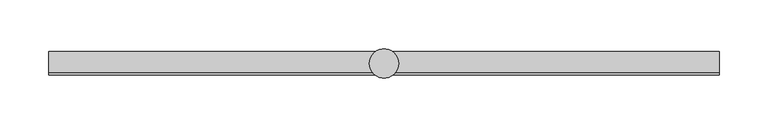
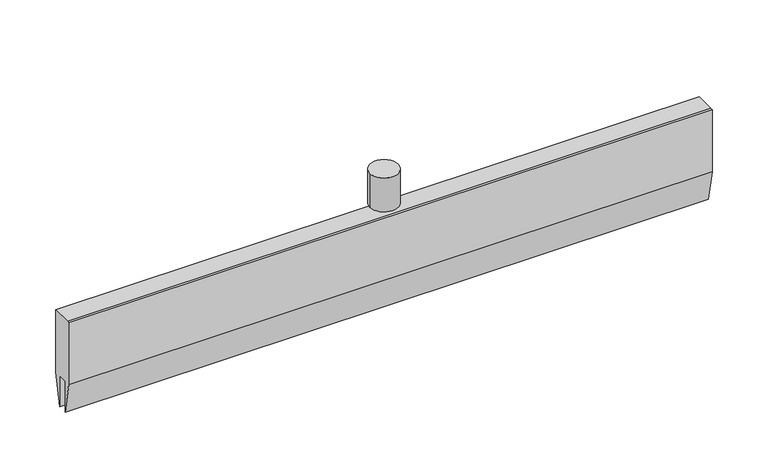
"""IFC4 building model written with IfcOpenShell, lengths in millimetres: proxy geometry."""

from ifc_helpers import new_model, si_unit, point, frame, origin, origin_2d, place, context, project, spatial, polyline, circle_curve, trimmed, segment, composite_curve, outline, extrude, source, transform, mapped, element, save


def specialty_equipment_541ed773(model_context):
    return source(origin(), model_context, "Body", "SweptSolid", [
        extrude(outline(polyline([(12.0, 49.0), (12.0, -21.0), (5.0, -56.0), (5.0, -21.0), (-5.0, -21.0), (-5.0, -56.0), (-12.0, -21.0), (-12.0, 49.0), (-9.692747, 49.0), (12.0, 49.0)])), frame((-342.2222222, 0.0, 0.0), z_axis=(1.0, 0.0, 0.0), x_axis=(0.0, 1.0, 0.0)), (0.0, 0.0, 1.0), 684.4444444),
        extrude(outline(composite_curve([segment(trimmed(circle_curve(origin_2d(), 4.0), [point((-4.0, 0.0))], [point((4.0, 0.0))], False, "CARTESIAN"), True, "CONTINUOUS"), segment(trimmed(circle_curve(origin_2d(), 4.0), [point((4.0, 0.0))], [point((-4.0, 0.0))], False, "CARTESIAN"), True, "CONTINUOUS")], self_intersect=False)), frame((0.0, 0.0, 49.0), z_axis=(0.0, 0.0, 1.0), x_axis=(1.0, 0.0, 0.0)), (0.0, 0.0, 1.0), 30.0),
        extrude(outline(composite_curve([segment(trimmed(circle_curve(origin_2d(), 15.0), [point((-15.0, 0.0))], [point((15.0, 0.0))], False, "CARTESIAN"), True, "CONTINUOUS"), segment(trimmed(circle_curve(origin_2d(), 15.0), [point((15.0, 0.0))], [point((-15.0, 0.0))], False, "CARTESIAN"), True, "CONTINUOUS")], self_intersect=False)), frame((0.0, 0.0, 57.0), z_axis=(0.0, 0.0, 1.0), x_axis=(1.0, 0.0, 0.0)), (0.0, 0.0, 1.0), 38.0),
    ])


if __name__ == "__main__":
    model = new_model("IFC4")
    model_context = context("Model", 3, world=origin())
    ifc_project = project(units=[si_unit("LENGTHUNIT", "METRE", prefix="MILLI")], contexts=[model_context])
    site = spatial("IfcSite", under=ifc_project)
    building = spatial("IfcBuilding", under=site)
    placement = place(None, origin())
    specialty_equipment_shape = specialty_equipment_541ed773(model_context)
    element("IfcBuildingElementProxy", 1, Name="Specialty Equipment", at=placement, inside=building, context=model_context, shape_type="MappedRepresentation", body=[
        mapped(specialty_equipment_shape, transform((0.0, 0.0, 0.0), x_axis=(1.0, 0.0, 0.0), y_axis=(0.0, 1.0, 0.0), z_axis=(0.0, 0.0, 1.0))),
    ])
    save(model, "model.ifc")
